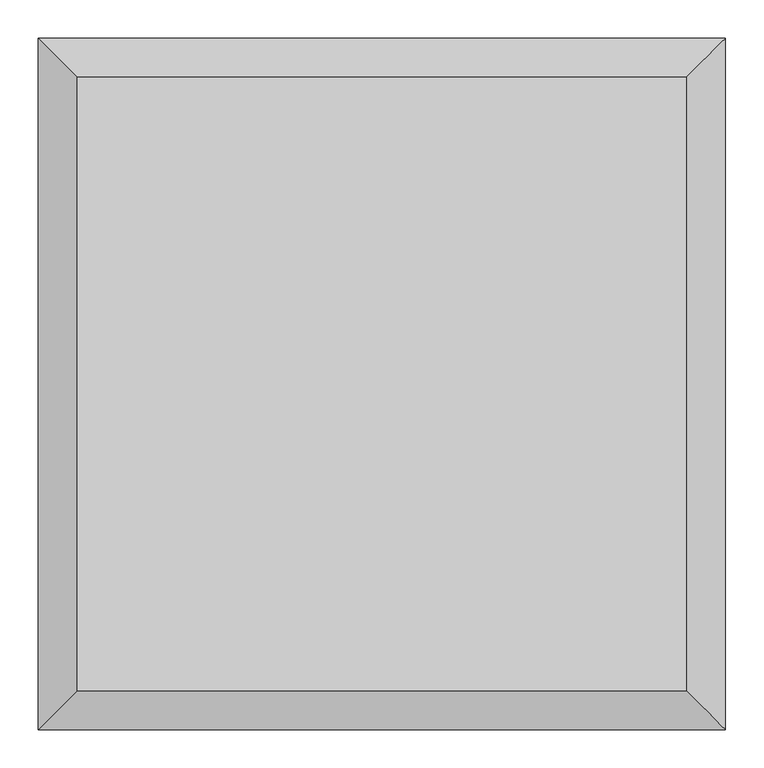
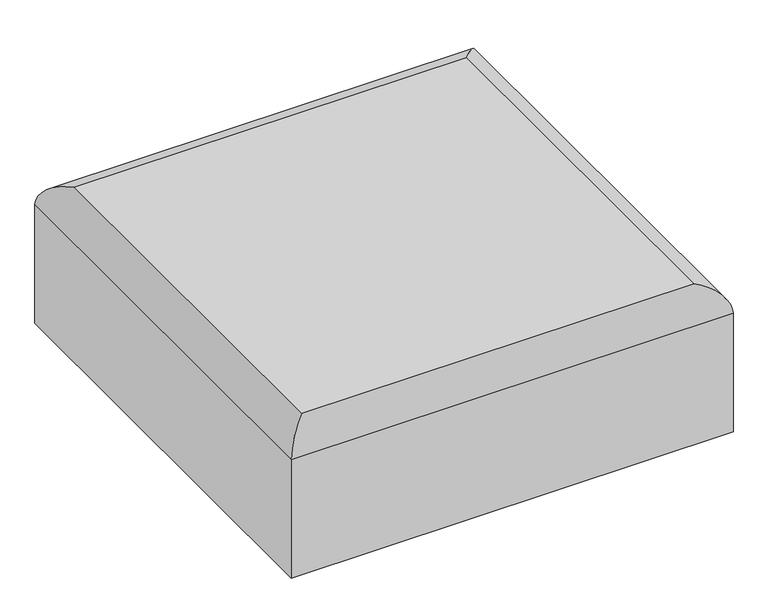
"""IFC4 building model written with IfcOpenShell, lengths in millimetres: furniture geometry."""

from ifc_helpers import new_model, si_unit, frame, origin, place, context, project, spatial, ellipse_curve, source, transform, mapped, element, save
from ifc_brep_helpers import plane_surface, cylinder_surface, advanced_brep


def furniture_9a83f1f0(model_context):
    return source(origin(), model_context, "Body", "AdvancedBrep", [
        advanced_brep(
        [(-143.8008956, 226.615625, 304.8), (-143.8008956, -572.6699216, 304.8), (650.6102706, -572.6699216, 304.8), (650.6102706, 226.615625, 304.8), (-194.6008956, -623.4699216, 0.0), (-194.6008956, 277.415625, 0.0), (701.4102706, 277.415625, 0.0), (701.4102706, -623.4699216, 0.0), (-194.6008956, 277.415625, 254.0), (-194.6008956, -623.4699216, 254.0), (701.4102706, -623.4699216, 254.0), (701.4102706, 277.415625, 254.0)],
        [
            (0, 1),
            (1, 2),
            (2, 3),
            (3, 0),
            (4, 5),
            (5, 6),
            (6, 7),
            (7, 4),
            (8, 5),
            (4, 9),
            (9, 8),
            (7, 10),
            (10, 9),
            (6, 11),
            (11, 10),
            (8, 11),
            (9, 1, ellipse_curve(frame((-143.8008956, -572.6699216, 254.0), z_axis=(-0.7071067811865475, 0.7071067811865475, 0.0), x_axis=(0.7071067811865474, 0.7071067811865477, 0.0)), 71.842049, 50.8)),
            (0, 8, ellipse_curve(frame((-143.8008956, 226.615625, 254.0), z_axis=(-0.7071067811865497, -0.7071067811865452, 0.0), x_axis=(-0.7071067811865452, 0.7071067811865499, 0.0)), 71.842049, 50.8)),
            (10, 2, ellipse_curve(frame((650.6102706, -572.6699216, 254.0), z_axis=(-0.7071067811865475, -0.7071067811865475, 0.0), x_axis=(-0.7071067811865477, 0.7071067811865474, 0.0)), 71.842049, 50.8)),
            (11, 3, ellipse_curve(frame((650.6102706, 226.615625, 254.0), z_axis=(0.7071067811865454, -0.7071067811865498, 0.0), x_axis=(-0.7071067811865498, -0.7071067811865451, 0.0)), 71.842049, 50.8)),
        ],
        [
            plane_surface(frame((-140.8243694, -569.6933954, 304.8), z_axis=(0.0, 0.0, 1.0), x_axis=(0.0, -1.0, 0.0))),
            plane_surface(frame((-140.8243694, -569.6933954, 0.0), z_axis=(0.0, 0.0, -1.0), x_axis=(0.0, 1.0, 0.0))),
            plane_surface(frame((-194.6008956, 277.415625, 0.0), z_axis=(-1.0, 0.0, 0.0), x_axis=(0.0, -1.0, 0.0))),
            plane_surface(frame((-194.6008956, -623.4699216, 0.0), z_axis=(0.0, -1.0, 0.0), x_axis=(1.0, 0.0, 0.0))),
            plane_surface(frame((701.4102706, -623.4699216, 0.0), z_axis=(1.0, 0.0, 0.0), x_axis=(0.0, 1.0, 0.0))),
            plane_surface(frame((701.4102706, 277.415625, 0.0), z_axis=(0.0, 1.0, 0.0), x_axis=(-1.0, 0.0, 0.0))),
            cylinder_surface(frame((-143.8008956, 223.6390988, 254.0), z_axis=(0.0, 1.0, 0.0), x_axis=(1.0, 0.0, 0.0)), 50.8),
            cylinder_surface(frame((-140.8243694, -572.6699216, 254.0), z_axis=(-1.0, 0.0, 0.0), x_axis=(0.0, 1.0, 0.0)), 50.8),
            cylinder_surface(frame((650.6102706, -569.6933954, 254.0), z_axis=(0.0, -1.0, 0.0), x_axis=(-1.0, 0.0, 0.0)), 50.8),
            cylinder_surface(frame((647.6337444, 226.615625, 254.0), z_axis=(1.0, 0.0, 0.0), x_axis=(0.0, -1.0, 0.0)), 50.8),
        ],
        [
            (0, [[1, 2, 3, 4]]),
            (1, [[5, 6, 7, 8]]),
            (2, [[9, -5, 10, 11]]),
            (3, [[-10, -8, 12, 13]]),
            (4, [[-12, -7, 14, 15]]),
            (5, [[-9, 16, -14, -6]]),
            (6, [[-11, 17, -1, 18]]),
            (7, [[-13, 19, -2, -17]]),
            (8, [[-15, 20, -3, -19]]),
            (9, [[-16, -18, -4, -20]]),
        ],
    ),
    ])


if __name__ == "__main__":
    model = new_model("IFC4")
    model_context = context("Model", 3, world=origin())
    ifc_project = project(units=[si_unit("LENGTHUNIT", "METRE", prefix="MILLI")], contexts=[model_context])
    site = spatial("IfcSite", under=ifc_project)
    building = spatial("IfcBuilding", under=site)
    placement = place(None, origin())
    furniture_shape = furniture_9a83f1f0(model_context)
    element("IfcFurniture", 1, at=placement, inside=building, context=model_context, shape_type="MappedRepresentation", body=[
        mapped(furniture_shape, transform((0.0, 0.0, 0.0), x_axis=(1.0, 0.0, 0.0), y_axis=(0.0, 1.0, 0.0), z_axis=(0.0, 0.0, 1.0))),
    ])
    save(model, "model.ifc")
